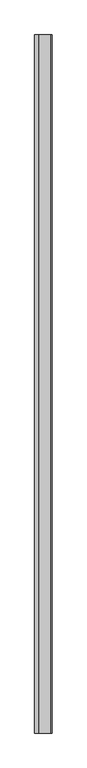
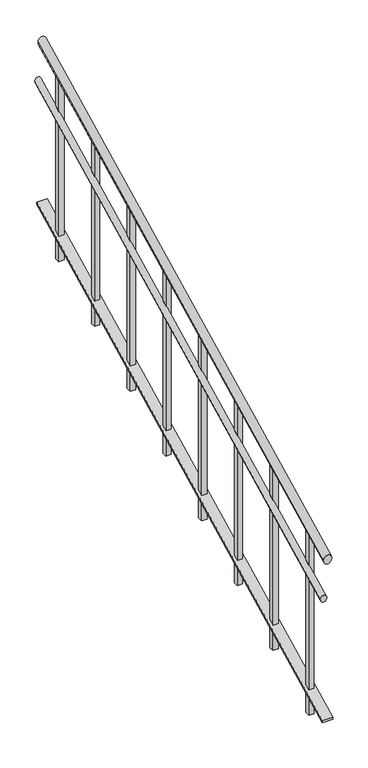
"""IFC4 building model written with IfcOpenShell, lengths in millimetres: railing geometry."""

from ifc_helpers import new_model, si_unit, frame, origin, place, context, project, spatial, polyline, ellipse_curve, outline, extrude, faceted_brep, source, transform, mapped, element, save
from ifc_brep_helpers import plane_surface, cylinder_surface, advanced_brep


def railing_5b7bca8d(model_context):
    return source(origin(), model_context, "Body", "SolidModel", [
        advanced_brep(
        [(-32435.8167246, -20906.8920513, -172.3606798), (-32475.8167246, -20906.8920513, -172.3606798), (-32435.8167246, -18506.8920513, 1027.6393202), (-32475.8167246, -18506.8920513, 1027.6393202)],
        [
            (0, 1, ellipse_curve(frame((-32455.8167246, -20906.8920513, -172.3606798), z_axis=(0.0, -1.0, 0.0), x_axis=(0.0, 0.0, -1.0)), 22.3606798, 20.0)),
            (1, 0, ellipse_curve(frame((-32455.8167246, -20906.8920513, -172.3606798), z_axis=(0.0, -1.0, 0.0), x_axis=(0.0, 0.0, -1.0)), 22.3606798, 20.0)),
            (2, 3, ellipse_curve(frame((-32455.8167246, -18506.8920513, 1027.6393202), z_axis=(0.0, 1.0, 0.0), x_axis=(0.0, 0.0, -1.0)), 22.3606798, 20.0)),
            (3, 2, ellipse_curve(frame((-32455.8167246, -18506.8920513, 1027.6393202), z_axis=(0.0, 1.0, 0.0), x_axis=(0.0, 0.0, -1.0)), 22.3606798, 20.0)),
            (0, 2),
            (3, 1),
        ],
        [
            plane_surface(frame((-32455.8167246, -20906.8920513, -150.0), z_axis=(0.0, -1.0, 0.0), x_axis=(0.0, 0.0, 1.0))),
            plane_surface(frame((-32455.8167246, -18506.8920513, 1050.0), z_axis=(0.0, 1.0, 0.0), x_axis=(0.0, 0.0, 1.0))),
            cylinder_surface(frame((-32455.8167246, -20897.9477794, -167.8885438), z_axis=(0.0, -0.8944271909999157, -0.44721359549995837), x_axis=(-1.0, 0.0, 0.0)), 20.0),
        ],
        [
            (0, [[1, 2]]),
            (1, [[3, 4]]),
            (2, [[-1, 5, -4, 6]]),
            (2, [[-2, -6, -3, -5]]),
        ],
    ),
        advanced_brep(
        [(-32460.8167246, -20906.8920513, -366.7705098), (-32490.8167246, -20906.8920513, -366.7705098), (-32460.8167246, -18506.8920513, 833.2294902), (-32490.8167246, -18506.8920513, 833.2294902)],
        [
            (0, 1, ellipse_curve(frame((-32475.8167246, -20906.8920513, -366.7705098), z_axis=(0.0, -1.0, 0.0), x_axis=(0.0, 0.0, -1.0)), 16.7705098, 15.0)),
            (1, 0, ellipse_curve(frame((-32475.8167246, -20906.8920513, -366.7705098), z_axis=(0.0, -1.0, 0.0), x_axis=(0.0, 0.0, -1.0)), 16.7705098, 15.0)),
            (2, 3, ellipse_curve(frame((-32475.8167246, -18506.8920513, 833.2294902), z_axis=(0.0, 1.0, 0.0), x_axis=(0.0, 0.0, -1.0)), 16.7705098, 15.0)),
            (3, 2, ellipse_curve(frame((-32475.8167246, -18506.8920513, 833.2294902), z_axis=(0.0, 1.0, 0.0), x_axis=(0.0, 0.0, -1.0)), 16.7705098, 15.0)),
            (0, 2),
            (3, 1),
        ],
        [
            plane_surface(frame((-32475.8167246, -20906.8920513, -350.0), z_axis=(0.0, -1.0, 0.0), x_axis=(0.0, 0.0, 1.0))),
            plane_surface(frame((-32475.8167246, -18506.8920513, 850.0), z_axis=(0.0, 1.0, 0.0), x_axis=(0.0, 0.0, 1.0))),
            cylinder_surface(frame((-32475.8167246, -20900.1838474, -363.4164079), z_axis=(0.0, -0.8944271909999157, -0.44721359549995837), x_axis=(-1.0, 0.0, 0.0)), 15.0),
        ],
        [
            (0, [[1, 2]]),
            (1, [[3, 4]]),
            (2, [[-1, 5, -4, 6]]),
            (2, [[-2, -6, -3, -5]]),
        ],
    ),
        faceted_brep([(-32480.8167246, -20906.8920513, -990.0), (-32480.8167246, -20906.8920513, -1001.1803399), (-32430.8167246, -20906.8920513, -1001.1803399), (-32430.8167246, -20906.8920513, -990.0), (-32480.8167246, -18506.8920513, 210.0), (-32430.8167246, -18506.8920513, 210.0), (-32430.8167246, -18506.8920513, 198.8196601), (-32480.8167246, -18506.8920513, 198.8196601)], [[[0, 1, 2, 3]], [[4, 5, 6, 7]], [[1, 0, 4, 7]], [[2, 1, 7, 6]], [[3, 2, 6, 5]], [[0, 3, 5, 4]]]),
        extrude(outline(polyline([(-18669.3920513, 924.0286405), (-18644.3920513, 936.5286405), (-18644.3920513, 0.0), (-18669.3920513, 0.0), (-18669.3920513, 924.0286405)])), frame((-32468.3167246, 0.0, 0.0), z_axis=(1.0, 0.0, 0.0), x_axis=(0.0, 1.0, 0.0)), (0.0, 0.0, 1.0), 25.0),
        extrude(outline(polyline([(-18969.3920513, 774.0286405), (-18944.3920513, 786.5286405), (-18944.3920513, -150.0), (-18969.3920513, -150.0), (-18969.3920513, 774.0286405)])), frame((-32468.3167246, 0.0, 0.0), z_axis=(1.0, 0.0, 0.0), x_axis=(0.0, 1.0, 0.0)), (0.0, 0.0, 1.0), 25.0),
        extrude(outline(polyline([(-19269.3920513, 624.0286405), (-19244.3920513, 636.5286405), (-19244.3920513, -300.0), (-19269.3920513, -300.0), (-19269.3920513, 624.0286405)])), frame((-32468.3167246, 0.0, 0.0), z_axis=(1.0, 0.0, 0.0), x_axis=(0.0, 1.0, 0.0)), (0.0, 0.0, 1.0), 25.0),
        extrude(outline(polyline([(-19569.3920513, 474.0286405), (-19544.3920513, 486.5286405), (-19544.3920513, -450.0), (-19569.3920513, -450.0), (-19569.3920513, 474.0286405)])), frame((-32468.3167246, 0.0, 0.0), z_axis=(1.0, 0.0, 0.0), x_axis=(0.0, 1.0, 0.0)), (0.0, 0.0, 1.0), 25.0),
        extrude(outline(polyline([(-19869.3920513, 324.0286405), (-19844.3920513, 336.5286405), (-19844.3920513, -600.0), (-19869.3920513, -600.0), (-19869.3920513, 324.0286405)])), frame((-32468.3167246, 0.0, 0.0), z_axis=(1.0, 0.0, 0.0), x_axis=(0.0, 1.0, 0.0)), (0.0, 0.0, 1.0), 25.0),
        extrude(outline(polyline([(-20169.3920513, 174.0286405), (-20144.3920513, 186.5286405), (-20144.3920513, -750.0), (-20169.3920513, -750.0), (-20169.3920513, 174.0286405)])), frame((-32468.3167246, 0.0, 0.0), z_axis=(1.0, 0.0, 0.0), x_axis=(0.0, 1.0, 0.0)), (0.0, 0.0, 1.0), 25.0),
        extrude(outline(polyline([(-20469.3920513, 24.0286405), (-20444.3920513, 36.5286405), (-20444.3920513, -900.0), (-20469.3920513, -900.0), (-20469.3920513, 24.0286405)])), frame((-32468.3167246, 0.0, 0.0), z_axis=(1.0, 0.0, 0.0), x_axis=(0.0, 1.0, 0.0)), (0.0, 0.0, 1.0), 25.0),
        extrude(outline(polyline([(-20769.3920513, -125.9713595), (-20744.3920513, -113.4713595), (-20744.3920513, -1050.0), (-20769.3920513, -1050.0), (-20769.3920513, -125.9713595)])), frame((-32468.3167246, 0.0, 0.0), z_axis=(1.0, 0.0, 0.0), x_axis=(0.0, 1.0, 0.0)), (0.0, 0.0, 1.0), 25.0),
    ])


if __name__ == "__main__":
    model = new_model("IFC4")
    model_context = context("Model", 3, world=origin())
    ifc_project = project(units=[si_unit("LENGTHUNIT", "METRE", prefix="MILLI")], contexts=[model_context])
    site = spatial("IfcSite", under=ifc_project)
    building = spatial("IfcBuilding", under=site)
    placement = place(None, origin())
    railing_shape = railing_5b7bca8d(model_context)
    element("IfcRailing", 1, at=placement, inside=building, context=model_context, shape_type="MappedRepresentation", body=[
        mapped(railing_shape, transform((0.0, 0.0, 0.0), x_axis=(1.0, 0.0, 0.0), y_axis=(0.0, 1.0, 0.0), z_axis=(0.0, 0.0, 1.0))),
    ])
    save(model, "model.ifc")
